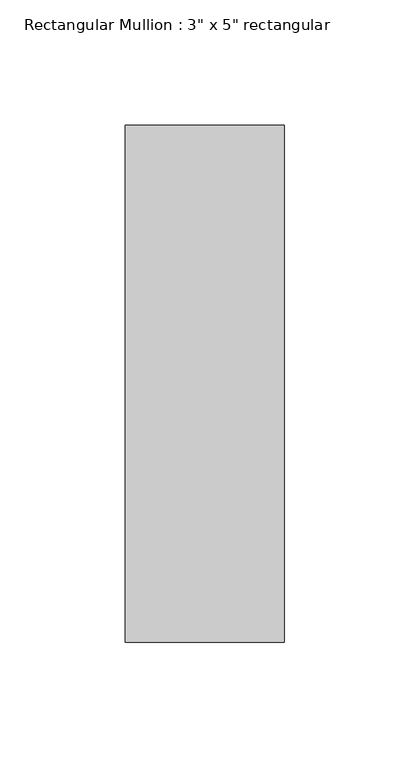
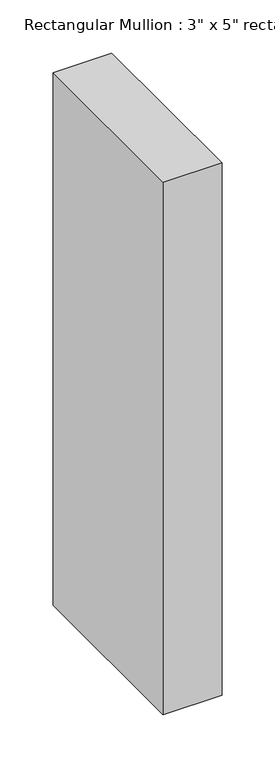
"""IFC4 building model written with IfcOpenShell, lengths in millimetres: member geometry."""

from ifc_helpers import new_model, si_unit, frame, origin, place, context, project, spatial, polyline, outline, extrude, source, transform, mapped, element, save


def member_09fe70b2(model_context):
    return source(origin(), model_context, "Body", "SweptSolid", [
        extrude(outline(polyline([(0.0, 90.551), (0.0, -115.951), (-63.5, -115.951), (-63.5, 90.551), (0.0, 90.551)])), frame((0.0, 0.0, -609.6), z_axis=(0.0, 0.0, 1.0), x_axis=(1.0, 0.0, 0.0)), (0.0, 0.0, 1.0), 609.6),
    ])


if __name__ == "__main__":
    model = new_model("IFC4")
    model_context = context("Model", 3, world=origin())
    ifc_project = project(units=[si_unit("LENGTHUNIT", "METRE", prefix="MILLI")], contexts=[model_context])
    site = spatial("IfcSite", under=ifc_project)
    building = spatial("IfcBuilding", under=site)
    placement = place(None, origin())
    member_shape = member_09fe70b2(model_context)
    element("IfcMember", 1, ObjectType="Rectangular Mullion : 3\" x 5\" rectangular", at=placement, inside=building, context=model_context, shape_type="MappedRepresentation", body=[
        mapped(member_shape, transform((0.0, 0.0, 0.0), x_axis=(1.0, 0.0, 0.0), y_axis=(0.0, 1.0, 0.0), z_axis=(0.0, 0.0, 1.0))),
    ])
    save(model, "model.ifc")
